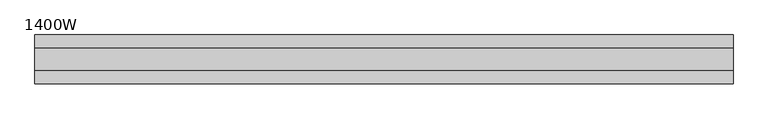
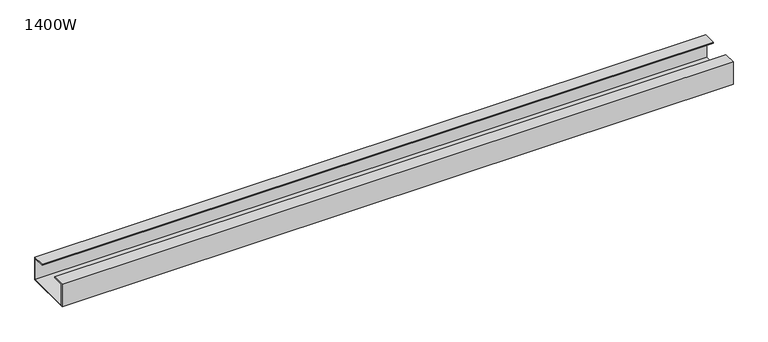
"""IFC4 building model written with IfcOpenShell, lengths in millimetres: furniture geometry, 1400W."""

from ifc_helpers import new_model, si_unit, frame, origin, place, context, project, spatial, polyline, outline, extrude, source, transform, mapped, element, save


def furniture_1400w_7a63fbdb(model_context):
    return source(origin(), model_context, "Body", "SweptSolid", [
        extrude(outline(polyline([(47.3, 665.0), (-47.3, 665.0), (-47.3, 713.0), (-22.0, 713.0), (-22.0, 711.0), (-45.3, 711.0), (-45.3, 667.0), (45.3, 667.0), (45.3, 711.0), (22.0, 711.0), (22.0, 713.0), (47.3, 713.0), (47.3, 665.0)])), frame((-675.0, 0.0, 0.0), z_axis=(1.0, 0.0, 0.0), x_axis=(0.0, 1.0, 0.0)), (0.0, 0.0, 1.0), 1350.0),
    ])


if __name__ == "__main__":
    model = new_model("IFC4")
    model_context = context("Model", 3, world=origin())
    ifc_project = project(units=[si_unit("LENGTHUNIT", "METRE", prefix="MILLI")], contexts=[model_context])
    site = spatial("IfcSite", under=ifc_project)
    building = spatial("IfcBuilding", under=site)
    placement = place(None, origin())
    furniture_1400w_shape = furniture_1400w_7a63fbdb(model_context)
    element("IfcFurniture", 1, ObjectType="1400W", at=placement, inside=building, context=model_context, shape_type="MappedRepresentation", body=[
        mapped(furniture_1400w_shape, transform((0.0, 0.0, 0.0), x_axis=(1.0, 0.0, 0.0), y_axis=(0.0, 1.0, 0.0), z_axis=(0.0, 0.0, 1.0))),
    ])
    save(model, "model.ifc")
